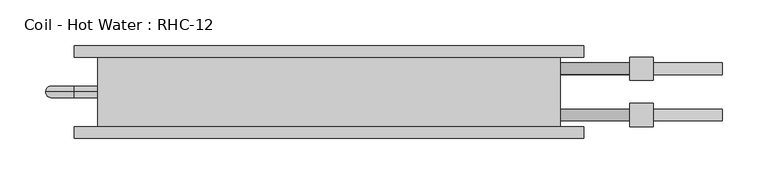
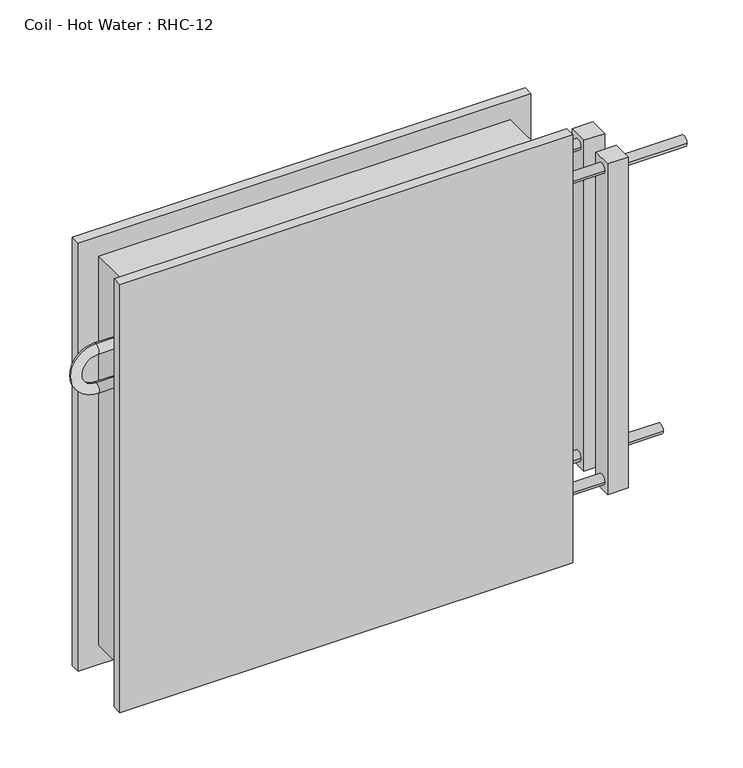
"""IFC4 building model written with IfcOpenShell, lengths in millimetres: proxy geometry, Coil - Hot Water : RHC-12."""

import ifcopenshell
import ifcopenshell.guid

model = None  # the IFC model being written
_history = None  # IfcOwnerHistory: only IFC2X3 demands one
_inside = {}  # id of a spatial element -> (the spatial element, [elements in it])
_under = {}  # id of a project, library or spatial element -> (it, [spatial elements below it])
_declared = {}  # id of a project -> (the project, [libraries it declares])
_typed = {}  # id of a type object -> (the type object, [elements of that type])
_made_of = {}  # id of a material, layer set ... -> (it, [elements and type objects made of it])


def new_model(schema):
    """Start an empty IFC model of exactly this schema.

    Asked for "IFC4X3", IfcOpenShell would pick the latest addendum, in which some entities
    have other attributes; the version numbers below select the first issue.
    IFC2X3 requires an IfcOwnerHistory on every rooted entity: one is made here for all.
    """
    global model, _history
    if schema == "IFC4X3":
        model = ifcopenshell.file(schema_version=(4, 3, 0, 0))
    else:
        model = ifcopenshell.file(schema=schema)
    _inside.clear()
    _under.clear()
    _declared.clear()
    _typed.clear()
    _made_of.clear()
    _history = None
    if model.schema == "IFC2X3":
        org = make("IfcOrganization", Name="unknown")
        user = make(
            "IfcPersonAndOrganization",
            ThePerson=make("IfcPerson", FamilyName="unknown"),
            TheOrganization=org,
        )
        app = make(
            "IfcApplication",
            ApplicationDeveloper=org,
            Version="unknown",
            ApplicationFullName="unknown",
            ApplicationIdentifier="unknown",
        )
        _history = make(
            "IfcOwnerHistory",
            OwningUser=user,
            OwningApplication=app,
            ChangeAction="ADDED",
            CreationDate=0,
        )
    return model


def make(cls, **values):
    """One entity of the class cls with the attributes given. An attribute that is None is left unset."""
    return model.create_entity(
        cls, **{name: value for name, value in values.items() if value is not None}
    )


def rooted(cls, **values):
    """An entity with a GlobalId (a new one), such as an element, a storey or a relation."""
    return make(cls, GlobalId=ifcopenshell.guid.new(), OwnerHistory=_history, **values)


def si_unit(unit_type, name, prefix=None):
    """IfcSIUnit, for example si_unit("LENGTHUNIT", "METRE", prefix="MILLI")."""
    return make("IfcSIUnit", UnitType=unit_type, Prefix=prefix, Name=name)


def assignment(units):
    """IfcUnitAssignment: the units of a project."""
    return None if units is None else make("IfcUnitAssignment", Units=units)


def point(xyz):
    """IfcCartesianPoint."""
    return None if xyz is None else make("IfcCartesianPoint", Coordinates=xyz)


def direction(xyz):
    """IfcDirection."""
    return None if xyz is None else make("IfcDirection", DirectionRatios=xyz)


def frame(location, z_axis=None, x_axis=None):
    """IfcAxis2Placement3D, a coordinate frame: its origin and axes. An axis left out is left unset."""
    return make(
        "IfcAxis2Placement3D",
        Location=point(location),
        Axis=direction(z_axis),
        RefDirection=direction(x_axis),
    )


def origin():
    """The frame at (0, 0, 0) with its axes left unset."""
    return frame((0.0, 0.0, 0.0))


def place(relative_to, where):
    """IfcLocalPlacement: puts the frame where relative to a parent placement (None: the world)."""
    return make(
        "IfcLocalPlacement", PlacementRelTo=relative_to, RelativePlacement=where
    )


def context(
    kind, dimensions, precision=None, world=None, true_north=None, identifier=None
):
    """IfcGeometricRepresentationContext, for example the 3D "Model" context."""
    return make(
        "IfcGeometricRepresentationContext",
        ContextIdentifier=identifier,
        ContextType=kind,
        CoordinateSpaceDimension=dimensions,
        Precision=precision,
        WorldCoordinateSystem=world,
        TrueNorth=true_north,
    )


def project(units=None, contexts=None):
    """IfcProject with its units and contexts."""
    return rooted(
        "IfcProject",
        Name="project",
        RepresentationContexts=contexts,
        UnitsInContext=assignment(units),
    )


def spatial(cls, under=None, at=None, **own):
    """A site, building, storey or space (cls), placed at a placement, below another one or the project."""
    s = rooted(cls, ObjectPlacement=at, **own)
    if under is not None:
        _under.setdefault(under.id(), (under, []))[1].append(s)
    return s


def circle_curve(where, radius):
    """IfcCircle in the frame where."""
    return make("IfcCircle", Position=where, Radius=radius)


def ellipse_curve(where, semi_axis1, semi_axis2):
    """IfcEllipse in the frame where."""
    return make(
        "IfcEllipse", Position=where, SemiAxis1=semi_axis1, SemiAxis2=semi_axis2
    )


def trimmed(basis, trim1, trim2, sense, master):
    """IfcTrimmedCurve: the piece of a basis curve between two trims."""
    return make(
        "IfcTrimmedCurve",
        BasisCurve=basis,
        Trim1=trim1,
        Trim2=trim2,
        SenseAgreement=sense,
        MasterRepresentation=master,
    )


def shape(context_of_items, identifier, shape_type, items):
    """IfcShapeRepresentation: the items that make up one representation, for example the "Body"."""
    return make(
        "IfcShapeRepresentation",
        ContextOfItems=context_of_items,
        RepresentationIdentifier=identifier,
        RepresentationType=shape_type,
        Items=items,
    )


def source(mapping_origin, context_of_items, identifier, shape_type, items):
    """IfcRepresentationMap: a shape defined once, which mapped items show again and again."""
    return make(
        "IfcRepresentationMap",
        MappingOrigin=mapping_origin,
        MappedRepresentation=shape(context_of_items, identifier, shape_type, items),
    )


def transform(
    local_origin,
    x_axis=None,
    y_axis=None,
    z_axis=None,
    scale=None,
    scale2=None,
    scale3=None,
    uniform=True,
):
    """IfcCartesianTransformationOperator3D, or its non-uniform kind. x_axis, y_axis, z_axis: its Axis1, 2, 3."""
    if uniform:
        return make(
            "IfcCartesianTransformationOperator3D",
            Axis1=direction(x_axis),
            Axis2=direction(y_axis),
            LocalOrigin=point(local_origin),
            Scale=scale,
            Axis3=direction(z_axis),
        )
    return make(
        "IfcCartesianTransformationOperator3DnonUniform",
        Axis1=direction(x_axis),
        Axis2=direction(y_axis),
        LocalOrigin=point(local_origin),
        Scale=scale,
        Axis3=direction(z_axis),
        Scale2=scale2,
        Scale3=scale3,
    )


def mapped(mapping_source, mapping_target):
    """IfcMappedItem: shows the shape of a source again, moved by a transform."""
    return make(
        "IfcMappedItem", MappingSource=mapping_source, MappingTarget=mapping_target
    )


def made_of(thing, what):
    """Note that an element or type object is made of a material, layer set ...; save() writes the relation."""
    if what is not None:
        _made_of.setdefault(what.id(), (what, []))[1].append(thing)
    return thing


def element(
    cls,
    number,
    at=None,
    inside=None,
    cuts=None,
    type_object=None,
    material=None,
    context=None,
    identifier="Body",
    shape_type=None,
    held_by="IfcProductDefinitionShape",
    body=None,
    shapes=None,
    **own,
):
    """One element of the class cls, such as IfcWall. Its Tag is "e" and its number.

    at: its placement. inside: the storey or other place that contains it. cuts: it is an
    opening in that element (IfcRelVoidsElement). A single representation is given by context,
    identifier, shape_type and body (its items); several are given by shapes. held_by: the class
    of the entity that holds the representations. save() writes the other relations.
    """
    e = rooted(cls, Tag="e%d" % number, ObjectPlacement=at, **own)
    if body is not None:
        shapes = [shape(context, identifier, shape_type, body)]
    if shapes is not None:
        e.Representation = make(held_by, Representations=shapes)
    if inside is not None:
        _inside.setdefault(inside.id(), (inside, []))[1].append(e)
    if cuts is not None:
        rooted(
            "IfcRelVoidsElement", RelatingBuildingElement=cuts, RelatedOpeningElement=e
        )
    if type_object is not None:
        _typed.setdefault(type_object.id(), (type_object, []))[1].append(e)
    return made_of(e, material)


def aggregate(whole, parts):
    """IfcRelAggregates: a whole, such as a stair, and the parts it consists of."""
    return rooted("IfcRelAggregates", RelatingObject=whole, RelatedObjects=parts)


def save(model, path):
    """Write the relations noted so far, then the file.

    IfcRelAggregates (storeys below a building ...), IfcRelContainedInSpatialStructure (elements
    in a storey), IfcRelDefinesByType, IfcRelAssociatesMaterial and IfcRelDeclares: one each for
    every whole, place, type object, material and project.
    """
    for whole, parts in _under.values():
        aggregate(whole, parts)
    for where, things in _inside.values():
        rooted(
            "IfcRelContainedInSpatialStructure",
            RelatedElements=things,
            RelatingStructure=where,
        )
    for kind, things in _typed.values():
        rooted("IfcRelDefinesByType", RelatedObjects=things, RelatingType=kind)
    for what, things in _made_of.values():
        rooted("IfcRelAssociatesMaterial", RelatedObjects=things, RelatingMaterial=what)
    for by, libraries in _declared.values():
        rooted("IfcRelDeclares", RelatingContext=by, RelatedDefinitions=libraries)
    model.write(path)


def plane_surface(at):
    """IfcPlane: the flat surface through the origin of the frame at, square to its z axis."""
    return make("IfcPlane", Position=at)


def cylinder_surface(at, radius):
    """IfcCylindricalSurface: all points at the distance radius from the z axis of the frame at."""
    return make("IfcCylindricalSurface", Position=at, Radius=radius)


def revolved_surface(curve, axis_point, axis_direction):
    """IfcSurfaceOfRevolution: the curve turned about the line through axis_point along axis_direction."""
    return make(
        "IfcSurfaceOfRevolution",
        SweptCurve=make("IfcArbitraryOpenProfileDef", ProfileType="CURVE", Curve=curve),
        AxisPosition=make("IfcAxis1Placement", Location=point(axis_point), Axis=direction(axis_direction)),
    )


def advanced_brep(points, edges, surfaces, faces):
    """IfcAdvancedBrep: a solid bounded by faces that lie on surfaces and meet in shared edges.

    An edge is (start, end): straight between two places in points (the first is 0);
    or (start, end, curve); or (start, end, curve, False) where it runs against its curve.
    A face is (place in surfaces, loops), or (place, loops, False) where it looks against
    its surface's normal. A loop lists edges by number (the first is 1), with a minus sign
    where the edge is run from its end to its start. The first loop is the outer one.
    """
    corners = [point(p) for p in points]
    vertices = [make("IfcVertexPoint", VertexGeometry=c) for c in corners]
    made = []
    for start, end, *more in edges:
        made.append(
            make(
                "IfcEdgeCurve",
                EdgeStart=vertices[start],
                EdgeEnd=vertices[end],
                EdgeGeometry=more[0] if more else make("IfcPolyline", Points=[corners[start], corners[end]]),
                SameSense=more[1] if len(more) > 1 else True,
            )
        )
    hull = []
    for where, loops, *sense in faces:
        bounds = []
        for j, loop in enumerate(loops):
            ring = [make("IfcOrientedEdge", EdgeElement=made[abs(k) - 1], Orientation=k > 0) for k in loop]
            bounds.append(
                make(
                    "IfcFaceOuterBound" if j == 0 else "IfcFaceBound",
                    Bound=make("IfcEdgeLoop", EdgeList=ring),
                    Orientation=True,
                )
            )
        hull.append(make("IfcAdvancedFace", Bounds=bounds, FaceSurface=surfaces[where], SameSense=sense[0] if sense else True))
    return make("IfcAdvancedBrep", Outer=make("IfcClosedShell", CfsFaces=hull))


def coil_hot_water_rhc_12_876ddb29(model_context):
    return source(origin(), model_context, "Body", "AdvancedBrep", [
        advanced_brep(
        [(-254.0, 76.2, 508.0), (-254.0, 0.0, 508.0), (254.0, 0.0, 508.0), (254.0, 76.2, 508.0), (254.0, 76.2, 0.0), (254.0, 0.0, 0.0), (-254.0, 0.0, 0.0), (-254.0, 76.2, 0.0), (-254.0, 38.1, 425.45), (-254.0, 38.1, 412.75), (-254.0, 38.1, 374.65), (-254.0, 38.1, 361.95), (254.0, 57.15, 457.2), (254.0, 69.85, 457.2), (254.0, 6.35, 50.8), (254.0, 19.05, 50.8), (254.0, 6.35, 457.2), (254.0, 19.05, 457.2), (254.0, 57.15, 50.8), (254.0, 69.85, 50.8), (279.4, 76.2, 533.4), (-279.4, 76.2, 533.4), (-279.4, 76.2, -25.4), (279.4, 76.2, -25.4), (279.4, 88.9, 533.4), (279.4, 88.9, -25.4), (-279.4, 88.9, -25.4), (-279.4, 88.9, 533.4), (431.8, 57.15, 50.8), (431.8, 69.85, 50.8), (431.8, 6.35, 457.2), (431.8, 19.05, 457.2), (355.6, 57.15, 50.8), (355.6, 69.85, 50.8), (355.6, 6.35, 457.2), (355.6, 19.05, 457.2), (279.4, -12.7, 533.4), (-279.4, -12.7, 533.4), (-279.4, -12.7, -25.4), (279.4, -12.7, -25.4), (279.4, 0.0, 533.4), (279.4, 0.0, -25.4), (-279.4, 0.0, -25.4), (-279.4, 0.0, 533.4), (-279.4, 38.1, 425.45), (-279.4, 38.1, 412.75), (-279.4, 38.1, 361.95), (-279.4, 38.1, 374.65), (330.2, 57.15, 457.2), (330.2, 69.85, 457.2), (330.2, 6.35, 50.8), (330.2, 19.05, 50.8), (330.2, 6.35, 457.2), (330.2, 19.05, 457.2), (330.2, 57.15, 50.8), (330.2, 69.85, 50.8), (355.6, 50.8, 469.9), (355.6, 50.8, 38.1), (355.6, 76.2, 38.1), (355.6, 76.2, 469.9), (355.6, 0.0, 469.9), (355.6, 0.0, 38.1), (355.6, 25.4, 38.1), (355.6, 25.4, 469.9), (330.2, 50.8, 469.9), (330.2, 76.2, 469.9), (330.2, 76.2, 38.1), (330.2, 50.8, 38.1), (330.2, 0.0, 469.9), (330.2, 25.4, 469.9), (330.2, 25.4, 38.1), (330.2, 0.0, 38.1)],
        [
            (0, 1),
            (1, 2),
            (2, 3),
            (3, 0),
            (4, 5),
            (5, 6),
            (6, 7),
            (7, 4),
            (0, 7),
            (6, 1),
            (8, 9, circle_curve(frame((-254.0, 38.1, 419.1), z_axis=(1.0, 0.0, 0.0), x_axis=(0.0, 0.0, -1.0)), 6.35)),
            (9, 8, circle_curve(frame((-254.0, 38.1, 419.1), z_axis=(1.0, 0.0, 0.0), x_axis=(0.0, 0.0, -1.0)), 6.35)),
            (10, 11, circle_curve(frame((-254.0, 38.1, 368.3), z_axis=(1.0, 0.0, 0.0), x_axis=(0.0, 0.0, 1.0)), 6.35)),
            (11, 10, circle_curve(frame((-254.0, 38.1, 368.3), z_axis=(1.0, 0.0, 0.0), x_axis=(0.0, 0.0, 1.0)), 6.35)),
            (2, 5),
            (4, 3),
            (12, 13, circle_curve(frame((254.0, 63.5, 457.2), z_axis=(-1.0, 0.0, 0.0), x_axis=(0.0, 1.0, 0.0)), 6.35)),
            (13, 12, circle_curve(frame((254.0, 63.5, 457.2), z_axis=(-1.0, 0.0, 0.0), x_axis=(0.0, 1.0, 0.0)), 6.35)),
            (14, 15, circle_curve(frame((254.0, 12.7, 50.8), z_axis=(-1.0, 0.0, 0.0), x_axis=(0.0, 1.0, 0.0)), 6.35)),
            (15, 14, circle_curve(frame((254.0, 12.7, 50.8), z_axis=(-1.0, 0.0, 0.0), x_axis=(0.0, 1.0, 0.0)), 6.35)),
            (16, 17, circle_curve(frame((254.0, 12.7, 457.2), z_axis=(-1.0, 0.0, 0.0), x_axis=(0.0, 1.0, 0.0)), 6.35)),
            (17, 16, circle_curve(frame((254.0, 12.7, 457.2), z_axis=(-1.0, 0.0, 0.0), x_axis=(0.0, 1.0, 0.0)), 6.35)),
            (18, 19, circle_curve(frame((254.0, 63.5, 50.8), z_axis=(-1.0, 0.0, 0.0), x_axis=(0.0, 1.0, 0.0)), 6.35)),
            (19, 18, circle_curve(frame((254.0, 63.5, 50.8), z_axis=(-1.0, 0.0, 0.0), x_axis=(0.0, 1.0, 0.0)), 6.35)),
            (20, 21),
            (21, 22),
            (22, 23),
            (23, 20),
            (24, 25),
            (25, 26),
            (26, 27),
            (27, 24),
            (20, 24),
            (27, 21),
            (26, 22),
            (25, 23),
            (28, 29, circle_curve(frame((431.8, 63.5, 50.8), z_axis=(1.0, 0.0, 0.0), x_axis=(0.0, 1.0, 0.0)), 6.35)),
            (29, 28, circle_curve(frame((431.8, 63.5, 50.8), z_axis=(1.0, 0.0, 0.0), x_axis=(0.0, 1.0, 0.0)), 6.35)),
            (30, 31, circle_curve(frame((431.8, 12.7, 457.2), z_axis=(1.0, 0.0, 0.0), x_axis=(0.0, 1.0, 0.0)), 6.35)),
            (31, 30, circle_curve(frame((431.8, 12.7, 457.2), z_axis=(1.0, 0.0, 0.0), x_axis=(0.0, 1.0, 0.0)), 6.35)),
            (28, 32),
            (32, 33, circle_curve(frame((355.6, 63.5, 50.8), z_axis=(1.0, 0.0, 0.0), x_axis=(0.0, 1.0, 0.0)), 6.35)),
            (33, 29),
            (33, 32, circle_curve(frame((355.6, 63.5, 50.8), z_axis=(1.0, 0.0, 0.0), x_axis=(0.0, 1.0, 0.0)), 6.35)),
            (30, 34),
            (34, 35, circle_curve(frame((355.6, 12.7, 457.2), z_axis=(1.0, 0.0, 0.0), x_axis=(0.0, 1.0, 0.0)), 6.35)),
            (35, 31),
            (35, 34, circle_curve(frame((355.6, 12.7, 457.2), z_axis=(1.0, 0.0, 0.0), x_axis=(0.0, 1.0, 0.0)), 6.35)),
            (36, 37),
            (37, 38),
            (38, 39),
            (39, 36),
            (40, 41),
            (41, 42),
            (42, 43),
            (43, 40),
            (36, 40),
            (43, 37),
            (42, 38),
            (41, 39),
            (8, 44),
            (44, 45, circle_curve(frame((-279.4, 38.1, 419.1), z_axis=(1.0, 0.0, 0.0), x_axis=(0.0, 0.0, -1.0)), 6.35)),
            (45, 9),
            (45, 44, circle_curve(frame((-279.4, 38.1, 419.1), z_axis=(1.0, 0.0, 0.0), x_axis=(0.0, 0.0, -1.0)), 6.35)),
            (44, 46, circle_curve(frame((-279.4, 38.1, 393.7), z_axis=(0.0, -1.0, 0.0), x_axis=(0.0, 0.0, 1.0)), 31.75)),
            (46, 47, circle_curve(frame((-279.4, 38.1, 368.3), z_axis=(-1.0, 0.0, 0.0), x_axis=(0.0, 0.0, 1.0)), 6.35)),
            (47, 45, circle_curve(frame((-279.4, 38.1, 393.7), z_axis=(0.0, 1.0, 0.0), x_axis=(0.0, 0.0, 1.0)), 19.05)),
            (47, 46, circle_curve(frame((-279.4, 38.1, 368.3), z_axis=(-1.0, 0.0, 0.0), x_axis=(0.0, 0.0, 1.0)), 6.35)),
            (46, 11),
            (10, 47),
            (12, 48),
            (48, 49, circle_curve(frame((330.2, 63.5, 457.2), z_axis=(-1.0, 0.0, 0.0), x_axis=(0.0, 1.0, 0.0)), 6.35)),
            (49, 13),
            (49, 48, circle_curve(frame((330.2, 63.5, 457.2), z_axis=(-1.0, 0.0, 0.0), x_axis=(0.0, 1.0, 0.0)), 6.35)),
            (14, 50),
            (50, 51, circle_curve(frame((330.2, 12.7, 50.8), z_axis=(-1.0, 0.0, 0.0), x_axis=(0.0, 1.0, 0.0)), 6.35)),
            (51, 15),
            (51, 50, circle_curve(frame((330.2, 12.7, 50.8), z_axis=(-1.0, 0.0, 0.0), x_axis=(0.0, 1.0, 0.0)), 6.35)),
            (16, 52),
            (52, 53, circle_curve(frame((330.2, 12.7, 457.2), z_axis=(-1.0, 0.0, 0.0), x_axis=(0.0, 1.0, 0.0)), 6.35)),
            (53, 17),
            (53, 52, circle_curve(frame((330.2, 12.7, 457.2), z_axis=(-1.0, 0.0, 0.0), x_axis=(0.0, 1.0, 0.0)), 6.35)),
            (18, 54),
            (54, 55, circle_curve(frame((330.2, 63.5, 50.8), z_axis=(-1.0, 0.0, 0.0), x_axis=(0.0, 1.0, 0.0)), 6.35)),
            (55, 19),
            (55, 54, circle_curve(frame((330.2, 63.5, 50.8), z_axis=(-1.0, 0.0, 0.0), x_axis=(0.0, 1.0, 0.0)), 6.35)),
            (56, 57),
            (57, 58),
            (58, 59),
            (59, 56),
            (60, 61),
            (61, 62),
            (62, 63),
            (63, 60),
            (64, 65),
            (65, 66),
            (66, 67),
            (67, 64),
            (68, 69),
            (69, 70),
            (70, 71),
            (71, 68),
            (56, 64),
            (67, 57),
            (66, 58),
            (65, 59),
            (60, 68),
            (71, 61),
            (70, 62),
            (69, 63),
        ],
        [
            plane_surface(frame((-254.0, 76.2, 508.0), z_axis=(0.0, 0.0, 1.0), x_axis=(-1.0, 0.0, 0.0))),
            plane_surface(frame((-254.0, 76.2, 0.0), z_axis=(0.0, 0.0, -1.0), x_axis=(1.0, 0.0, 0.0))),
            plane_surface(frame((-254.0, 76.2, 508.0), z_axis=(-1.0, 0.0, 0.0), x_axis=(0.0, 0.0, -1.0))),
            plane_surface(frame((254.0, 0.0, 508.0), z_axis=(1.0, 0.0, 0.0), x_axis=(0.0, 0.0, -1.0))),
            plane_surface(frame((-279.4, 76.2, 533.4), z_axis=(0.0, -1.0, 0.0), x_axis=(-1.0, 0.0, 0.0))),
            plane_surface(frame((-279.4, 88.9, 533.4), z_axis=(0.0, 1.0, 0.0), x_axis=(1.0, 0.0, 0.0))),
            plane_surface(frame((279.4, 76.2, 533.4), z_axis=(0.0, 0.0, 1.0), x_axis=(0.0, 1.0, 0.0))),
            plane_surface(frame((-279.4, 76.2, 533.4), z_axis=(-1.0, 0.0, 0.0), x_axis=(0.0, 1.0, 0.0))),
            plane_surface(frame((-279.4, 76.2, -25.4), z_axis=(0.0, 0.0, -1.0), x_axis=(0.0, 1.0, 0.0))),
            plane_surface(frame((279.4, 76.2, -25.4), z_axis=(1.0, 0.0, 0.0), x_axis=(0.0, 1.0, 0.0))),
            plane_surface(frame((431.8, 69.85, 50.8), z_axis=(1.0, 0.0, 0.0), x_axis=(0.0, 0.0, 1.0))),
            cylinder_surface(frame((355.6, 63.5, 50.8), z_axis=(1.0, 0.0, 0.0), x_axis=(0.0, 1.0, 0.0)), 6.35),
            cylinder_surface(frame((0.0, 12.7, 457.2), z_axis=(1.0, 0.0, 0.0), x_axis=(0.0, 1.0, 0.0)), 6.35),
            plane_surface(frame((-279.4, -12.7, 533.4), z_axis=(0.0, -1.0, 0.0), x_axis=(-1.0, 0.0, 0.0))),
            plane_surface(frame((-279.4, 0.0, 533.4), z_axis=(0.0, 1.0, 0.0), x_axis=(1.0, 0.0, 0.0))),
            plane_surface(frame((279.4, -12.7, 533.4), z_axis=(0.0, 0.0, 1.0), x_axis=(0.0, 1.0, 0.0))),
            plane_surface(frame((-279.4, -12.7, 533.4), z_axis=(-1.0, 0.0, 0.0), x_axis=(0.0, 1.0, 0.0))),
            plane_surface(frame((-279.4, -12.7, -25.4), z_axis=(0.0, 0.0, -1.0), x_axis=(0.0, 1.0, 0.0))),
            plane_surface(frame((279.4, -12.7, -25.4), z_axis=(1.0, 0.0, 0.0), x_axis=(0.0, 1.0, 0.0))),
            cylinder_surface(frame((-254.0, 38.1, 419.1), z_axis=(1.0, 0.0, 0.0), x_axis=(0.0, 0.0, -1.0)), 6.35),
            revolved_surface(trimmed(ellipse_curve(frame((-279.4, 38.1, 419.1), z_axis=(1.0, 0.0, 0.0), x_axis=(0.0, 0.0, -1.0)), 6.35, 6.35), [point((-279.4, 38.1, 425.45))], [point((-279.4, 38.1, 412.75))], True, "CARTESIAN"), (-279.4, 0.0, 393.7), (0.0, -1.0, 0.0)),
            revolved_surface(trimmed(ellipse_curve(frame((-279.4, 38.1, 419.1), z_axis=(1.0, 0.0, 0.0), x_axis=(0.0, 0.0, -1.0)), 6.35, 6.35), [point((-279.4, 38.1, 412.75))], [point((-279.4, 38.1, 425.45))], True, "CARTESIAN"), (-279.4, 0.0, 393.7), (0.0, -1.0, 0.0)),
            cylinder_surface(frame((-279.4, 38.1, 368.3), z_axis=(-1.0, 0.0, 0.0), x_axis=(0.0, 0.0, 1.0)), 6.35),
            cylinder_surface(frame((254.0, 63.5, 457.2), z_axis=(-1.0, 0.0, 0.0), x_axis=(0.0, 1.0, 0.0)), 6.35),
            cylinder_surface(frame((254.0, 12.7, 50.8), z_axis=(-1.0, 0.0, 0.0), x_axis=(0.0, 1.0, 0.0)), 6.35),
            cylinder_surface(frame((254.0, 12.7, 457.2), z_axis=(-1.0, 0.0, 0.0), x_axis=(0.0, 1.0, 0.0)), 6.35),
            cylinder_surface(frame((254.0, 63.5, 50.8), z_axis=(-1.0, 0.0, 0.0), x_axis=(0.0, 1.0, 0.0)), 6.35),
            plane_surface(frame((355.6, 50.8, 469.9), z_axis=(1.0, 0.0, 0.0), x_axis=(0.0, 0.0, -1.0))),
            plane_surface(frame((330.2, 50.8, 469.9), z_axis=(-1.0, 0.0, 0.0), x_axis=(0.0, 0.0, 1.0))),
            plane_surface(frame((355.6, 50.8, 469.9), z_axis=(0.0, -1.0, 0.0), x_axis=(-1.0, 0.0, 0.0))),
            plane_surface(frame((355.6, 50.8, 38.1), z_axis=(0.0, 0.0, -1.0), x_axis=(-1.0, 0.0, 0.0))),
            plane_surface(frame((355.6, 76.2, 38.1), z_axis=(0.0, 1.0, 0.0), x_axis=(-1.0, 0.0, 0.0))),
            plane_surface(frame((355.6, 76.2, 469.9), z_axis=(0.0, 0.0, 1.0), x_axis=(-1.0, 0.0, 0.0))),
            plane_surface(frame((355.6, 0.0, 469.9), z_axis=(0.0, -1.0, 0.0), x_axis=(-1.0, 0.0, 0.0))),
            plane_surface(frame((355.6, 0.0, 38.1), z_axis=(0.0, 0.0, -1.0), x_axis=(-1.0, 0.0, 0.0))),
            plane_surface(frame((355.6, 25.4, 38.1), z_axis=(0.0, 1.0, 0.0), x_axis=(-1.0, 0.0, 0.0))),
            plane_surface(frame((355.6, 25.4, 469.9), z_axis=(0.0, 0.0, 1.0), x_axis=(-1.0, 0.0, 0.0))),
        ],
        [
            (0, [[1, 2, 3, 4]]),
            (1, [[5, 6, 7, 8]]),
            (2, [[-1, 9, -7, 10], [11, 12], [13, 14]]),
            (3, [[-3, 15, -5, 16], [17, 18], [19, 20], [21, 22], [23, 24]]),
            (4, [[25, 26, 27, 28], [-4, -16, -8, -9]]),
            (5, [[29, 30, 31, 32]]),
            (6, [[-25, 33, -32, 34]]),
            (7, [[-26, -34, -31, 35]]),
            (8, [[-27, -35, -30, 36]]),
            (9, [[-28, -36, -29, -33]]),
            (10, [[37, 38]]),
            (10, [[39, 40]]),
            (11, [[-37, 41, 42, 43]]),
            (11, [[-38, -43, 44, -41]]),
            (12, [[-39, 45, 46, 47]]),
            (12, [[-40, -47, 48, -45]]),
            (13, [[49, 50, 51, 52]]),
            (14, [[53, 54, 55, 56], [-2, -10, -6, -15]]),
            (15, [[-49, 57, -56, 58]]),
            (16, [[-50, -58, -55, 59]]),
            (17, [[-51, -59, -54, 60]]),
            (18, [[-52, -60, -53, -57]]),
            (19, [[61, 62, 63, -11]]),
            (19, [[-61, -12, -63, 64]]),
            (20, [[-62, 65, 66, 67]]),
            (21, [[-64, -67, 68, -65]]),
            (22, [[-66, 69, -13, 70]]),
            (22, [[-68, -70, -14, -69]]),
            (23, [[71, 72, 73, -17]]),
            (23, [[-71, -18, -73, 74]]),
            (24, [[75, 76, 77, -19]]),
            (24, [[-75, -20, -77, 78]]),
            (25, [[79, 80, 81, -21]]),
            (25, [[-79, -22, -81, 82]]),
            (26, [[83, 84, 85, -23]]),
            (26, [[-83, -24, -85, 86]]),
            (27, [[87, 88, 89, 90], [-42, -44]]),
            (27, [[91, 92, 93, 94], [-46, -48]]),
            (28, [[95, 96, 97, 98], [-72, -74], [-84, -86]]),
            (28, [[99, 100, 101, 102], [-76, -78], [-80, -82]]),
            (29, [[-87, 103, -98, 104]]),
            (30, [[-88, -104, -97, 105]]),
            (31, [[-89, -105, -96, 106]]),
            (32, [[-90, -106, -95, -103]]),
            (33, [[-91, 107, -102, 108]]),
            (34, [[-92, -108, -101, 109]]),
            (35, [[-93, -109, -100, 110]]),
            (36, [[-94, -110, -99, -107]]),
        ],
    ),
    ])


if __name__ == "__main__":
    model = new_model("IFC4")
    model_context = context("Model", 3, world=origin())
    ifc_project = project(units=[si_unit("LENGTHUNIT", "METRE", prefix="MILLI")], contexts=[model_context])
    site = spatial("IfcSite", under=ifc_project)
    building = spatial("IfcBuilding", under=site)
    placement = place(None, origin())
    coil_hot_water_rhc_12_shape = coil_hot_water_rhc_12_876ddb29(model_context)
    element("IfcBuildingElementProxy", 1, Name="Coil - Hot Water : RHC-12", ObjectType="Coil - Hot Water : RHC-12", at=placement, inside=building, context=model_context, shape_type="MappedRepresentation", body=[
        mapped(coil_hot_water_rhc_12_shape, transform((0.0, 0.0, 0.0), x_axis=(1.0, 0.0, 0.0), y_axis=(0.0, 1.0, 0.0), z_axis=(0.0, 0.0, 1.0))),
    ])
    save(model, "model.ifc")
